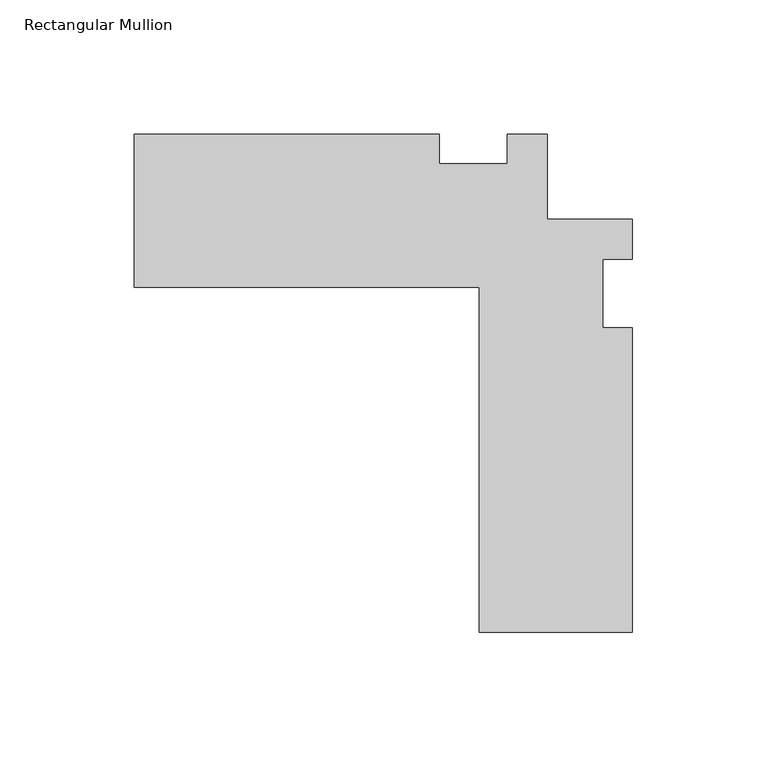
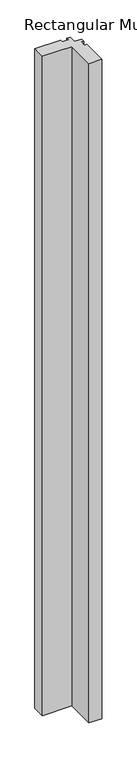
"""IFC4 building model written with IfcOpenShell, lengths in millimetres: member geometry, Rectangular Mullion."""

from ifc_helpers import new_model, si_unit, frame, origin, place, context, project, spatial, polyline, outline, extrude, source, transform, mapped, element, save


def rectangular_mullion_14ec20da(model_context):
    return source(origin(), model_context, "Body", "SweptSolid", [
        extrude(outline(polyline([(-185.7248, -35.4457), (-185.7248, 21.7043), (-72.09028, 21.7043), (-72.09028, 10.5918), (-46.7262174, 10.5918), (-46.7262174, 21.7043), (-31.75, 21.7043), (-31.75, -10.0457), (0.0, -10.0457), (0.0, -24.9769632), (-11.1125, -24.9769632), (-11.1125, -50.3763883), (0.0, -50.3763883), (0.0, -164.0205), (-57.15, -164.0205), (-57.15, -35.4457), (-185.7248, -35.4457)])), frame((0.0, 0.0, -3048.0), z_axis=(0.0, 0.0, 1.0), x_axis=(1.0, 0.0, 0.0)), (0.0, 0.0, 1.0), 3048.0),
    ])


if __name__ == "__main__":
    model = new_model("IFC4")
    model_context = context("Model", 3, world=origin())
    ifc_project = project(units=[si_unit("LENGTHUNIT", "METRE", prefix="MILLI")], contexts=[model_context])
    site = spatial("IfcSite", under=ifc_project)
    building = spatial("IfcBuilding", under=site)
    placement = place(None, origin())
    rectangular_mullion_shape = rectangular_mullion_14ec20da(model_context)
    element("IfcMember", 1, ObjectType="Rectangular Mullion", at=placement, inside=building, context=model_context, shape_type="MappedRepresentation", body=[
        mapped(rectangular_mullion_shape, transform((0.0, 0.0, 0.0), x_axis=(1.0, 0.0, 0.0), y_axis=(0.0, 1.0, 0.0), z_axis=(0.0, 0.0, 1.0))),
    ])
    save(model, "model.ifc")
